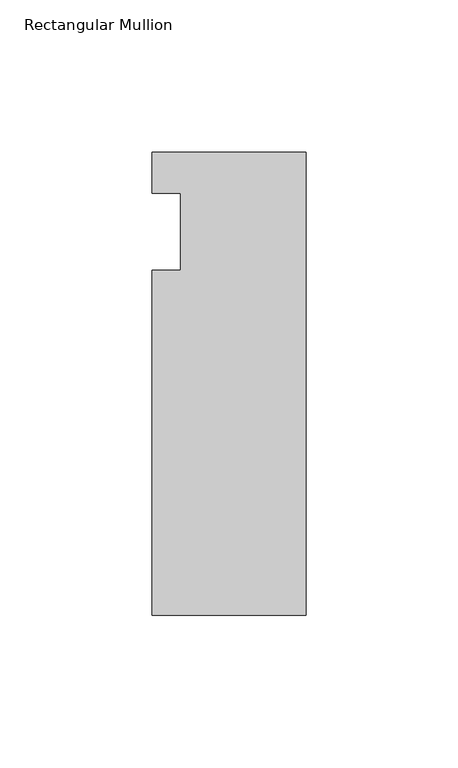
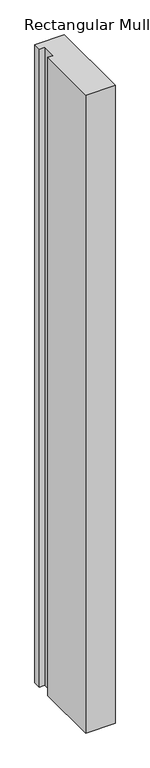
"""IFC4 building model written with IfcOpenShell, lengths in millimetres: member geometry, Rectangular Mullion."""

from ifc_helpers import new_model, si_unit, frame, origin, place, context, project, spatial, polyline, outline, extrude, source, transform, mapped, element, save


def rectangular_mullion_0f0f69d4(model_context):
    return source(origin(), model_context, "Body", "SweptSolid", [
        extrude(outline(polyline([(0.0, 26.19375), (0.0, -126.20625), (-50.8, -126.20625), (-50.8, -12.7), (-41.275, -12.7), (-41.275, 12.7), (-50.8, 12.7), (-50.8, 26.19375), (0.0, 26.19375)])), frame((0.0, 0.0, -1168.4), z_axis=(0.0, 0.0, 1.0), x_axis=(1.0, 0.0, 0.0)), (0.0, 0.0, 1.0), 1168.4),
    ])


if __name__ == "__main__":
    model = new_model("IFC4")
    model_context = context("Model", 3, world=origin())
    ifc_project = project(units=[si_unit("LENGTHUNIT", "METRE", prefix="MILLI")], contexts=[model_context])
    site = spatial("IfcSite", under=ifc_project)
    building = spatial("IfcBuilding", under=site)
    placement = place(None, origin())
    rectangular_mullion_shape = rectangular_mullion_0f0f69d4(model_context)
    element("IfcMember", 1, ObjectType="Rectangular Mullion", at=placement, inside=building, context=model_context, shape_type="MappedRepresentation", body=[
        mapped(rectangular_mullion_shape, transform((0.0, 0.0, 0.0), x_axis=(1.0, 0.0, 0.0), y_axis=(0.0, 1.0, 0.0), z_axis=(0.0, 0.0, 1.0))),
    ])
    save(model, "model.ifc")
